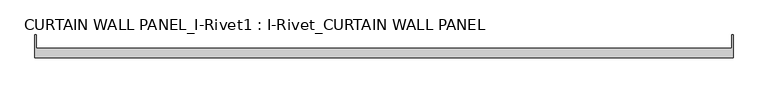
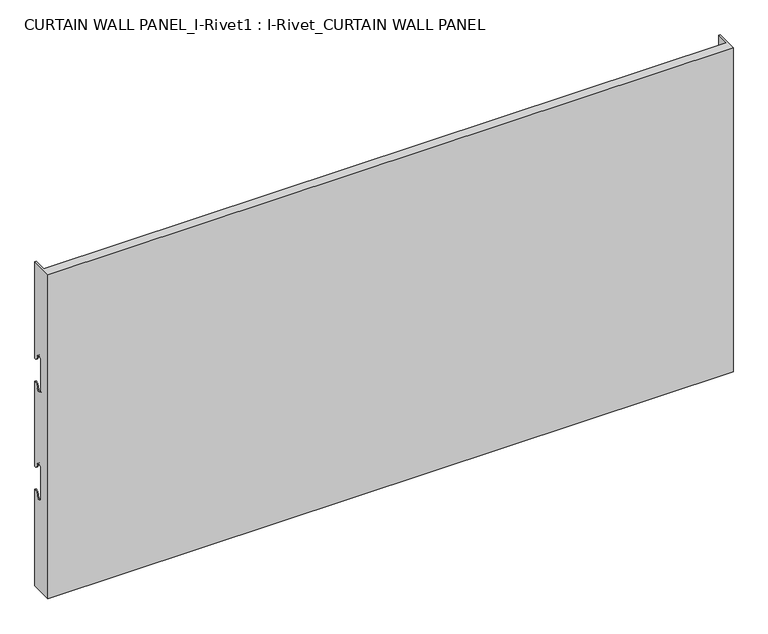
"""IFC4 building model written with IfcOpenShell, lengths in millimetres: plate geometry, CURTAIN WALL PANEL_I-Rivet1 : I-Rivet_CURTAIN WALL PANEL."""

from ifc_helpers import new_model, si_unit, frame, origin, place, context, project, spatial, polyline, circle_curve, source, transform, mapped, element, save
from ifc_brep_helpers import plane_surface, cylinder_surface, revolved_surface, advanced_brep


def curtain_wall_panel_i_rivet1_i_rivet_curtain_wall_panel_3ed1abdc(model_context):
    return source(origin(), model_context, "Body", "AdvancedBrep", [
        advanced_brep(
        [(-600.0, -85.0, 600.0), (600.0, -85.0, 600.0), (600.0, -45.3384103, 600.0), (598.0, -45.3384103, 600.0), (598.0, -68.0, 600.0), (-598.0, -68.0, 600.0), (-598.0, -45.3384103, 600.0), (-600.0, -45.3384103, 600.0), (-600.0, -85.0, 0.0), (-600.0, -45.3384103, 0.0), (-598.0, -45.3384103, 0.0), (-598.0, -68.0, 0.0), (598.0, -68.0, 0.0), (598.0, -45.3384103, 0.0), (600.0, -45.3384103, 0.0), (600.0, -85.0, 0.0), (-600.0, -45.3384103, 421.0), (-600.0, -52.3384103, 428.0), (-600.0, -63.3384103, 428.0), (-600.0, -63.3384103, 372.0), (-600.0, -52.3384103, 372.0), (-600.0, -45.3384103, 379.0), (-600.0, -45.3384103, 221.0), (-600.0, -52.3384103, 228.0), (-600.0, -63.3384103, 228.0), (-600.0, -63.3384103, 172.0), (-600.0, -52.3384103, 172.0), (-600.0, -45.3384103, 179.0), (-598.0, -45.3384103, 179.0), (-598.0, -45.3384103, 379.0), (-598.0, -45.3384103, 221.0), (-598.0, -45.3384103, 421.0), (600.0, -45.3384103, 421.0), (598.0, -45.3384103, 421.0), (598.0, -45.3384103, 179.0), (600.0, -45.3384103, 179.0), (598.0, -45.3384103, 221.0), (598.0, -45.3384103, 379.0), (600.0, -45.3384103, 379.0), (600.0, -45.3384103, 221.0), (600.0, -52.3384103, 172.0), (600.0, -63.3384103, 172.0), (600.0, -63.3384103, 228.0), (600.0, -52.3384103, 228.0), (600.0, -52.3384103, 372.0), (600.0, -63.3384103, 372.0), (600.0, -63.3384103, 428.0), (600.0, -52.3384103, 428.0), (-598.0, -52.3384103, 172.0), (-598.0, -63.3384103, 172.0), (-598.0, -63.3384103, 228.0), (-598.0, -52.3384103, 228.0), (-598.0, -52.3384103, 372.0), (-598.0, -63.3384103, 372.0), (-598.0, -63.3384103, 428.0), (-598.0, -52.3384103, 428.0), (598.0, -52.3384103, 428.0), (598.0, -63.3384103, 428.0), (598.0, -63.3384103, 372.0), (598.0, -52.3384103, 372.0), (598.0, -52.3384103, 228.0), (598.0, -63.3384103, 228.0), (598.0, -63.3384103, 172.0), (598.0, -52.3384103, 172.0)],
        [
            (0, 1),
            (1, 2),
            (2, 3),
            (3, 4),
            (4, 5),
            (5, 6),
            (6, 7),
            (7, 0),
            (8, 9),
            (9, 10),
            (10, 11),
            (11, 12),
            (12, 13),
            (13, 14),
            (14, 15),
            (15, 8),
            (7, 16),
            (16, 17, circle_curve(frame((-600.0, -45.3384103, 428.0), z_axis=(-1.0, 0.0, 0.0), x_axis=(0.0, -1.0, 0.0)), 7.0)),
            (17, 18, circle_curve(frame((-600.0, -57.8384103, 428.0), z_axis=(1.0, 0.0, 0.0), x_axis=(0.0, -1.0, 0.0)), 5.5)),
            (18, 19),
            (19, 20, circle_curve(frame((-600.0, -57.8384103, 372.0), z_axis=(1.0, 0.0, 0.0), x_axis=(0.0, -1.0, 0.0)), 5.5)),
            (20, 21, circle_curve(frame((-600.0, -45.3384103, 372.0), z_axis=(-1.0, 0.0, 0.0), x_axis=(0.0, -1.0, 0.0)), 7.0)),
            (21, 22),
            (22, 23, circle_curve(frame((-600.0, -45.3384103, 228.0), z_axis=(-1.0, 0.0, 0.0), x_axis=(0.0, -1.0, 0.0)), 7.0)),
            (23, 24, circle_curve(frame((-600.0, -57.8384103, 228.0), z_axis=(1.0, 0.0, 0.0), x_axis=(0.0, -1.0, 0.0)), 5.5)),
            (24, 25),
            (25, 26, circle_curve(frame((-600.0, -57.8384103, 172.0), z_axis=(1.0, 0.0, 0.0), x_axis=(0.0, -1.0, 0.0)), 5.5)),
            (26, 27, circle_curve(frame((-600.0, -45.3384103, 172.0), z_axis=(-1.0, 0.0, 0.0), x_axis=(0.0, -1.0, 0.0)), 7.0)),
            (27, 9),
            (8, 0),
            (27, 28),
            (28, 10),
            (21, 29),
            (29, 30),
            (30, 22),
            (6, 31),
            (31, 16),
            (2, 32),
            (32, 33),
            (33, 3),
            (13, 34),
            (34, 35),
            (35, 14),
            (36, 37),
            (37, 38),
            (38, 39),
            (39, 36),
            (1, 15),
            (35, 40, circle_curve(frame((600.0, -45.3384103, 172.0), z_axis=(1.0, 0.0, 0.0), x_axis=(0.0, -1.0, 0.0)), 7.0)),
            (40, 41, circle_curve(frame((600.0, -57.8384103, 172.0), z_axis=(-1.0, 0.0, 0.0), x_axis=(0.0, -1.0, 0.0)), 5.5)),
            (41, 42),
            (42, 43, circle_curve(frame((600.0, -57.8384103, 228.0), z_axis=(-1.0, 0.0, 0.0), x_axis=(0.0, -1.0, 0.0)), 5.5)),
            (43, 39, circle_curve(frame((600.0, -45.3384103, 228.0), z_axis=(1.0, 0.0, 0.0), x_axis=(0.0, -1.0, 0.0)), 7.0)),
            (38, 44, circle_curve(frame((600.0, -45.3384103, 372.0), z_axis=(1.0, 0.0, 0.0), x_axis=(0.0, -1.0, 0.0)), 7.0)),
            (44, 45, circle_curve(frame((600.0, -57.8384103, 372.0), z_axis=(-1.0, 0.0, 0.0), x_axis=(0.0, -1.0, 0.0)), 5.5)),
            (45, 46),
            (46, 47, circle_curve(frame((600.0, -57.8384103, 428.0), z_axis=(-1.0, 0.0, 0.0), x_axis=(0.0, -1.0, 0.0)), 5.5)),
            (47, 32, circle_curve(frame((600.0, -45.3384103, 428.0), z_axis=(1.0, 0.0, 0.0), x_axis=(0.0, -1.0, 0.0)), 7.0)),
            (5, 11),
            (28, 48, circle_curve(frame((-598.0, -45.3384103, 172.0), z_axis=(1.0, 0.0, 0.0), x_axis=(0.0, -1.0, 0.0)), 7.0)),
            (48, 49, circle_curve(frame((-598.0, -57.8384103, 172.0), z_axis=(-1.0, 0.0, 0.0), x_axis=(0.0, -1.0, 0.0)), 5.5)),
            (49, 50),
            (50, 51, circle_curve(frame((-598.0, -57.8384103, 228.0), z_axis=(-1.0, 0.0, 0.0), x_axis=(0.0, -1.0, 0.0)), 5.5)),
            (51, 30, circle_curve(frame((-598.0, -45.3384103, 228.0), z_axis=(1.0, 0.0, 0.0), x_axis=(0.0, -1.0, 0.0)), 7.0)),
            (29, 52, circle_curve(frame((-598.0, -45.3384103, 372.0), z_axis=(1.0, 0.0, 0.0), x_axis=(0.0, -1.0, 0.0)), 7.0)),
            (52, 53, circle_curve(frame((-598.0, -57.8384103, 372.0), z_axis=(-1.0, 0.0, 0.0), x_axis=(0.0, -1.0, 0.0)), 5.5)),
            (53, 54),
            (54, 55, circle_curve(frame((-598.0, -57.8384103, 428.0), z_axis=(-1.0, 0.0, 0.0), x_axis=(0.0, -1.0, 0.0)), 5.5)),
            (55, 31, circle_curve(frame((-598.0, -45.3384103, 428.0), z_axis=(1.0, 0.0, 0.0), x_axis=(0.0, -1.0, 0.0)), 7.0)),
            (33, 56, circle_curve(frame((598.0, -45.3384103, 428.0), z_axis=(-1.0, 0.0, 0.0), x_axis=(0.0, -1.0, 0.0)), 7.0)),
            (56, 57, circle_curve(frame((598.0, -57.8384103, 428.0), z_axis=(1.0, 0.0, 0.0), x_axis=(0.0, -1.0, 0.0)), 5.5)),
            (57, 58),
            (58, 59, circle_curve(frame((598.0, -57.8384103, 372.0), z_axis=(1.0, 0.0, 0.0), x_axis=(0.0, -1.0, 0.0)), 5.5)),
            (59, 37, circle_curve(frame((598.0, -45.3384103, 372.0), z_axis=(-1.0, 0.0, 0.0), x_axis=(0.0, -1.0, 0.0)), 7.0)),
            (36, 60, circle_curve(frame((598.0, -45.3384103, 228.0), z_axis=(-1.0, 0.0, 0.0), x_axis=(0.0, -1.0, 0.0)), 7.0)),
            (60, 61, circle_curve(frame((598.0, -57.8384103, 228.0), z_axis=(1.0, 0.0, 0.0), x_axis=(0.0, -1.0, 0.0)), 5.5)),
            (61, 62),
            (62, 63, circle_curve(frame((598.0, -57.8384103, 172.0), z_axis=(1.0, 0.0, 0.0), x_axis=(0.0, -1.0, 0.0)), 5.5)),
            (63, 34, circle_curve(frame((598.0, -45.3384103, 172.0), z_axis=(-1.0, 0.0, 0.0), x_axis=(0.0, -1.0, 0.0)), 7.0)),
            (12, 4),
            (41, 62),
            (61, 42),
            (49, 25),
            (24, 50),
            (40, 63),
            (48, 26),
            (51, 23),
            (43, 60),
            (18, 54),
            (53, 19),
            (57, 46),
            (45, 58),
            (17, 55),
            (56, 47),
            (59, 44),
            (20, 52),
        ],
        [
            plane_surface(frame((-600.0, -45.3384103, 600.0), z_axis=(0.0, 0.0, 1.0), x_axis=(0.0, 1.0, 0.0))),
            plane_surface(frame((-600.0, -45.3384103, 0.0), z_axis=(0.0, 0.0, -1.0), x_axis=(0.0, -1.0, 0.0))),
            plane_surface(frame((-600.0, -85.0, 600.0), z_axis=(-1.0, 0.0, 0.0), x_axis=(0.0, 0.0, -1.0))),
            plane_surface(frame((-600.0, -45.3384103, 600.0), z_axis=(0.0, 1.0, 0.0), x_axis=(0.0, 0.0, -1.0))),
            plane_surface(frame((598.0, -45.3384103, 600.0), z_axis=(0.0, 1.0, 0.0), x_axis=(0.0, 0.0, -1.0))),
            plane_surface(frame((600.0, -45.3384103, 600.0), z_axis=(1.0, 0.0, 0.0), x_axis=(0.0, 0.0, -1.0))),
            plane_surface(frame((600.0, -85.0, 600.0), z_axis=(0.0, -1.0, 0.0), x_axis=(0.0, 0.0, -1.0))),
            plane_surface(frame((-598.0, -45.3384103, 600.0), z_axis=(1.0, 0.0, 0.0), x_axis=(0.0, 0.0, -1.0))),
            plane_surface(frame((598.0, -68.0, 600.0), z_axis=(-1.0, 0.0, 0.0), x_axis=(0.0, 0.0, -1.0))),
            plane_surface(frame((-599.0, -68.0, 600.0), z_axis=(0.0, 1.0, 0.0), x_axis=(0.0, 0.0, -1.0))),
            plane_surface(frame((-600.0, -63.3384103, 228.0), z_axis=(0.0, 1.0, 0.0), x_axis=(1.0, 0.0, 0.0))),
            revolved_surface(polyline([(598.0, -63.3384103, 172.0), (600.0, -63.3384103, 172.0)]), (-600.0, -57.8384103, 172.0), (-1.0, 0.0, 0.0)),
            revolved_surface(polyline([(-600.0, -63.3384103, 172.0), (-598.0, -63.3384103, 172.0)]), (-600.0, -57.8384103, 172.0), (-1.0, 0.0, 0.0)),
            cylinder_surface(frame((-600.0, -45.3384103, 172.0), z_axis=(1.0, 0.0, 0.0), x_axis=(0.0, -1.0, 0.0)), 7.0),
            cylinder_surface(frame((-600.0, -45.3384103, 228.0), z_axis=(1.0, 0.0, 0.0), x_axis=(0.0, -1.0, 0.0)), 7.0),
            revolved_surface(polyline([(-600.0, -63.3384103, 228.0), (-598.0, -63.3384103, 228.0)]), (-600.0, -57.8384103, 228.0), (-1.0, 0.0, 0.0)),
            revolved_surface(polyline([(598.0, -63.3384103, 228.0), (600.0, -63.3384103, 228.0)]), (-600.0, -57.8384103, 228.0), (-1.0, 0.0, 0.0)),
            plane_surface(frame((600.0, -63.3384103, 372.0), z_axis=(0.0, 1.0, 0.0), x_axis=(-1.0, 0.0, 0.0))),
            revolved_surface(polyline([(-598.0, -63.3384103, 428.0), (-600.0, -63.3384103, 428.0)]), (600.0, -57.8384103, 428.0), (1.0, 0.0, 0.0)),
            revolved_surface(polyline([(600.0, -63.3384103, 428.0), (598.0, -63.3384103, 428.0)]), (600.0, -57.8384103, 428.0), (1.0, 0.0, 0.0)),
            cylinder_surface(frame((600.0, -45.3384103, 428.0), z_axis=(-1.0, 0.0, 0.0), x_axis=(0.0, -1.0, 0.0)), 7.0),
            cylinder_surface(frame((600.0, -45.3384103, 372.0), z_axis=(-1.0, 0.0, 0.0), x_axis=(0.0, -1.0, 0.0)), 7.0),
            revolved_surface(polyline([(600.0, -63.3384103, 372.0), (598.0, -63.3384103, 372.0)]), (600.0, -57.8384103, 372.0), (1.0, 0.0, 0.0)),
            revolved_surface(polyline([(-598.0, -63.3384103, 372.0), (-600.0, -63.3384103, 372.0)]), (600.0, -57.8384103, 372.0), (1.0, 0.0, 0.0)),
        ],
        [
            (0, [[1, 2, 3, 4, 5, 6, 7, 8]]),
            (1, [[9, 10, 11, 12, 13, 14, 15, 16]]),
            (2, [[17, 18, 19, 20, 21, 22, 23, 24, 25, 26, 27, 28, 29, -9, 30, -8]]),
            (3, [[-29, 31, 32, -10]]),
            (3, [[-23, 33, 34, 35]]),
            (3, [[36, 37, -17, -7]]),
            (4, [[38, 39, 40, -3]]),
            (4, [[41, 42, 43, -14]]),
            (4, [[44, 45, 46, 47]]),
            (5, [[48, -15, -43, 49, 50, 51, 52, 53, -46, 54, 55, 56, 57, 58, -38, -2]]),
            (6, [[-30, -16, -48, -1]]),
            (7, [[59, -11, -32, 60, 61, 62, 63, 64, -34, 65, 66, 67, 68, 69, -36, -6]]),
            (8, [[-40, 70, 71, 72, 73, 74, -44, 75, 76, 77, 78, 79, -41, -13, 80, -4]]),
            (9, [[-80, -12, -59, -5]]),
            (10, [[-51, 81, -77, 82]]),
            (10, [[-62, 83, -26, 84]]),
            (11, [[-50, 85, -78, -81]]),
            (12, [[-61, 86, -27, -83]]),
            (13, [[-49, -42, -79, -85]]),
            (13, [[-60, -31, -28, -86]]),
            (14, [[-24, -35, -64, 87]]),
            (14, [[-75, -47, -53, 88]]),
            (15, [[-25, -87, -63, -84]]),
            (16, [[-76, -88, -52, -82]]),
            (17, [[-20, 89, -67, 90]]),
            (17, [[-72, 91, -56, 92]]),
            (18, [[-19, 93, -68, -89]]),
            (19, [[-71, 94, -57, -91]]),
            (20, [[-18, -37, -69, -93]]),
            (20, [[-70, -39, -58, -94]]),
            (21, [[-54, -45, -74, 95]]),
            (21, [[-65, -33, -22, 96]]),
            (22, [[-55, -95, -73, -92]]),
            (23, [[-66, -96, -21, -90]]),
        ],
    ),
    ])


if __name__ == "__main__":
    model = new_model("IFC4")
    model_context = context("Model", 3, world=origin())
    ifc_project = project(units=[si_unit("LENGTHUNIT", "METRE", prefix="MILLI")], contexts=[model_context])
    site = spatial("IfcSite", under=ifc_project)
    building = spatial("IfcBuilding", under=site)
    placement = place(None, origin())
    curtain_wall_panel_i_rivet1_i_rivet_curtain_wall_panel_shape = curtain_wall_panel_i_rivet1_i_rivet_curtain_wall_panel_3ed1abdc(model_context)
    element("IfcPlate", 1, ObjectType="CURTAIN WALL PANEL_I-Rivet1 : I-Rivet_CURTAIN WALL PANEL", at=placement, inside=building, context=model_context, shape_type="MappedRepresentation", body=[
        mapped(curtain_wall_panel_i_rivet1_i_rivet_curtain_wall_panel_shape, transform((0.0, 0.0, 0.0), x_axis=(1.0, 0.0, 0.0), y_axis=(0.0, 1.0, 0.0), z_axis=(0.0, 0.0, 1.0))),
    ])
    save(model, "model.ifc")
